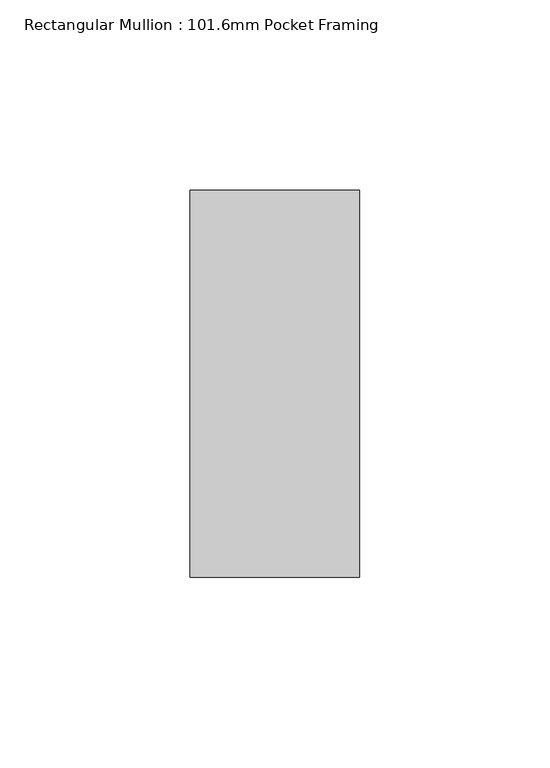
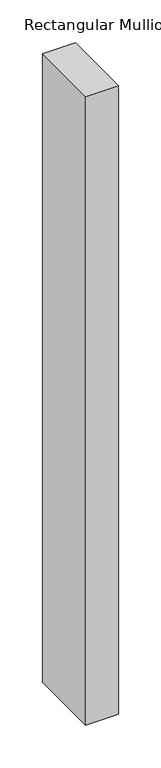
"""IFC4 building model written with IfcOpenShell, lengths in millimetres: member geometry, Rectangular Mullion : 101.6mm Pocket Framing."""

import ifcopenshell
import ifcopenshell.guid

model = None  # the IFC model being written
_history = None  # IfcOwnerHistory: only IFC2X3 demands one
_inside = {}  # id of a spatial element -> (the spatial element, [elements in it])
_under = {}  # id of a project, library or spatial element -> (it, [spatial elements below it])
_declared = {}  # id of a project -> (the project, [libraries it declares])
_typed = {}  # id of a type object -> (the type object, [elements of that type])
_made_of = {}  # id of a material, layer set ... -> (it, [elements and type objects made of it])


def new_model(schema):
    """Start an empty IFC model of exactly this schema.

    Asked for "IFC4X3", IfcOpenShell would pick the latest addendum, in which some entities
    have other attributes; the version numbers below select the first issue.
    IFC2X3 requires an IfcOwnerHistory on every rooted entity: one is made here for all.
    """
    global model, _history
    if schema == "IFC4X3":
        model = ifcopenshell.file(schema_version=(4, 3, 0, 0))
    else:
        model = ifcopenshell.file(schema=schema)
    _inside.clear()
    _under.clear()
    _declared.clear()
    _typed.clear()
    _made_of.clear()
    _history = None
    if model.schema == "IFC2X3":
        org = make("IfcOrganization", Name="unknown")
        user = make(
            "IfcPersonAndOrganization",
            ThePerson=make("IfcPerson", FamilyName="unknown"),
            TheOrganization=org,
        )
        app = make(
            "IfcApplication",
            ApplicationDeveloper=org,
            Version="unknown",
            ApplicationFullName="unknown",
            ApplicationIdentifier="unknown",
        )
        _history = make(
            "IfcOwnerHistory",
            OwningUser=user,
            OwningApplication=app,
            ChangeAction="ADDED",
            CreationDate=0,
        )
    return model


def make(cls, **values):
    """One entity of the class cls with the attributes given. An attribute that is None is left unset."""
    return model.create_entity(
        cls, **{name: value for name, value in values.items() if value is not None}
    )


def rooted(cls, **values):
    """An entity with a GlobalId (a new one), such as an element, a storey or a relation."""
    return make(cls, GlobalId=ifcopenshell.guid.new(), OwnerHistory=_history, **values)


def si_unit(unit_type, name, prefix=None):
    """IfcSIUnit, for example si_unit("LENGTHUNIT", "METRE", prefix="MILLI")."""
    return make("IfcSIUnit", UnitType=unit_type, Prefix=prefix, Name=name)


def assignment(units):
    """IfcUnitAssignment: the units of a project."""
    return None if units is None else make("IfcUnitAssignment", Units=units)


def point(xyz):
    """IfcCartesianPoint."""
    return None if xyz is None else make("IfcCartesianPoint", Coordinates=xyz)


def direction(xyz):
    """IfcDirection."""
    return None if xyz is None else make("IfcDirection", DirectionRatios=xyz)


def frame(location, z_axis=None, x_axis=None):
    """IfcAxis2Placement3D, a coordinate frame: its origin and axes. An axis left out is left unset."""
    return make(
        "IfcAxis2Placement3D",
        Location=point(location),
        Axis=direction(z_axis),
        RefDirection=direction(x_axis),
    )


def origin():
    """The frame at (0, 0, 0) with its axes left unset."""
    return frame((0.0, 0.0, 0.0))


def place(relative_to, where):
    """IfcLocalPlacement: puts the frame where relative to a parent placement (None: the world)."""
    return make(
        "IfcLocalPlacement", PlacementRelTo=relative_to, RelativePlacement=where
    )


def context(
    kind, dimensions, precision=None, world=None, true_north=None, identifier=None
):
    """IfcGeometricRepresentationContext, for example the 3D "Model" context."""
    return make(
        "IfcGeometricRepresentationContext",
        ContextIdentifier=identifier,
        ContextType=kind,
        CoordinateSpaceDimension=dimensions,
        Precision=precision,
        WorldCoordinateSystem=world,
        TrueNorth=true_north,
    )


def project(units=None, contexts=None):
    """IfcProject with its units and contexts."""
    return rooted(
        "IfcProject",
        Name="project",
        RepresentationContexts=contexts,
        UnitsInContext=assignment(units),
    )


def spatial(cls, under=None, at=None, **own):
    """A site, building, storey or space (cls), placed at a placement, below another one or the project."""
    s = rooted(cls, ObjectPlacement=at, **own)
    if under is not None:
        _under.setdefault(under.id(), (under, []))[1].append(s)
    return s


def polyline(points):
    """IfcPolyline through the points."""
    return make("IfcPolyline", Points=[point(p) for p in points])


def outline(outer, holes=None, kind="AREA"):
    """IfcArbitraryClosedProfileDef: a profile drawn as a closed curve; with holes, ...WithVoids."""
    if holes is None:
        return make("IfcArbitraryClosedProfileDef", ProfileType=kind, OuterCurve=outer)
    return make(
        "IfcArbitraryProfileDefWithVoids",
        ProfileType=kind,
        OuterCurve=outer,
        InnerCurves=holes,
    )


def extrude(swept, where, along, depth):
    """IfcExtrudedAreaSolid: the profile swept, set in the frame where, extruded along a direction by depth."""
    return make(
        "IfcExtrudedAreaSolid",
        SweptArea=swept,
        Position=where,
        ExtrudedDirection=direction(along),
        Depth=depth,
    )


def shape(context_of_items, identifier, shape_type, items):
    """IfcShapeRepresentation: the items that make up one representation, for example the "Body"."""
    return make(
        "IfcShapeRepresentation",
        ContextOfItems=context_of_items,
        RepresentationIdentifier=identifier,
        RepresentationType=shape_type,
        Items=items,
    )


def source(mapping_origin, context_of_items, identifier, shape_type, items):
    """IfcRepresentationMap: a shape defined once, which mapped items show again and again."""
    return make(
        "IfcRepresentationMap",
        MappingOrigin=mapping_origin,
        MappedRepresentation=shape(context_of_items, identifier, shape_type, items),
    )


def transform(
    local_origin,
    x_axis=None,
    y_axis=None,
    z_axis=None,
    scale=None,
    scale2=None,
    scale3=None,
    uniform=True,
):
    """IfcCartesianTransformationOperator3D, or its non-uniform kind. x_axis, y_axis, z_axis: its Axis1, 2, 3."""
    if uniform:
        return make(
            "IfcCartesianTransformationOperator3D",
            Axis1=direction(x_axis),
            Axis2=direction(y_axis),
            LocalOrigin=point(local_origin),
            Scale=scale,
            Axis3=direction(z_axis),
        )
    return make(
        "IfcCartesianTransformationOperator3DnonUniform",
        Axis1=direction(x_axis),
        Axis2=direction(y_axis),
        LocalOrigin=point(local_origin),
        Scale=scale,
        Axis3=direction(z_axis),
        Scale2=scale2,
        Scale3=scale3,
    )


def mapped(mapping_source, mapping_target):
    """IfcMappedItem: shows the shape of a source again, moved by a transform."""
    return make(
        "IfcMappedItem", MappingSource=mapping_source, MappingTarget=mapping_target
    )


def made_of(thing, what):
    """Note that an element or type object is made of a material, layer set ...; save() writes the relation."""
    if what is not None:
        _made_of.setdefault(what.id(), (what, []))[1].append(thing)
    return thing


def element(
    cls,
    number,
    at=None,
    inside=None,
    cuts=None,
    type_object=None,
    material=None,
    context=None,
    identifier="Body",
    shape_type=None,
    held_by="IfcProductDefinitionShape",
    body=None,
    shapes=None,
    **own,
):
    """One element of the class cls, such as IfcWall. Its Tag is "e" and its number.

    at: its placement. inside: the storey or other place that contains it. cuts: it is an
    opening in that element (IfcRelVoidsElement). A single representation is given by context,
    identifier, shape_type and body (its items); several are given by shapes. held_by: the class
    of the entity that holds the representations. save() writes the other relations.
    """
    e = rooted(cls, Tag="e%d" % number, ObjectPlacement=at, **own)
    if body is not None:
        shapes = [shape(context, identifier, shape_type, body)]
    if shapes is not None:
        e.Representation = make(held_by, Representations=shapes)
    if inside is not None:
        _inside.setdefault(inside.id(), (inside, []))[1].append(e)
    if cuts is not None:
        rooted(
            "IfcRelVoidsElement", RelatingBuildingElement=cuts, RelatedOpeningElement=e
        )
    if type_object is not None:
        _typed.setdefault(type_object.id(), (type_object, []))[1].append(e)
    return made_of(e, material)


def aggregate(whole, parts):
    """IfcRelAggregates: a whole, such as a stair, and the parts it consists of."""
    return rooted("IfcRelAggregates", RelatingObject=whole, RelatedObjects=parts)


def save(model, path):
    """Write the relations noted so far, then the file.

    IfcRelAggregates (storeys below a building ...), IfcRelContainedInSpatialStructure (elements
    in a storey), IfcRelDefinesByType, IfcRelAssociatesMaterial and IfcRelDeclares: one each for
    every whole, place, type object, material and project.
    """
    for whole, parts in _under.values():
        aggregate(whole, parts)
    for where, things in _inside.values():
        rooted(
            "IfcRelContainedInSpatialStructure",
            RelatedElements=things,
            RelatingStructure=where,
        )
    for kind, things in _typed.values():
        rooted("IfcRelDefinesByType", RelatedObjects=things, RelatingType=kind)
    for what, things in _made_of.values():
        rooted("IfcRelAssociatesMaterial", RelatedObjects=things, RelatingMaterial=what)
    for by, libraries in _declared.values():
        rooted("IfcRelDeclares", RelatingContext=by, RelatedDefinitions=libraries)
    model.write(path)


def rectangular_mullion_101_6mm_pocket_framing_71218b62(model_context):
    return source(origin(), model_context, "Body", "SweptSolid", [
        extrude(outline(polyline([(22.3, 50.8), (22.3, -50.8), (-22.2, -50.8), (-22.2, 50.8), (22.3, 50.8)])), frame((0.0, 0.0, -900.0), z_axis=(0.0, 0.0, 1.0), x_axis=(1.0, 0.0, 0.0)), (0.0, 0.0, 1.0), 900.0),
    ])


if __name__ == "__main__":
    model = new_model("IFC4")
    model_context = context("Model", 3, world=origin())
    ifc_project = project(units=[si_unit("LENGTHUNIT", "METRE", prefix="MILLI")], contexts=[model_context])
    site = spatial("IfcSite", under=ifc_project)
    building = spatial("IfcBuilding", under=site)
    placement = place(None, origin())
    rectangular_mullion_101_6mm_pocket_framing_shape = rectangular_mullion_101_6mm_pocket_framing_71218b62(model_context)
    element("IfcMember", 1, ObjectType="Rectangular Mullion : 101.6mm Pocket Framing", at=placement, inside=building, context=model_context, shape_type="MappedRepresentation", body=[
        mapped(rectangular_mullion_101_6mm_pocket_framing_shape, transform((0.0, 0.0, 0.0), x_axis=(1.0, 0.0, 0.0), y_axis=(0.0, 1.0, 0.0), z_axis=(0.0, 0.0, 1.0))),
    ])
    save(model, "model.ifc")
